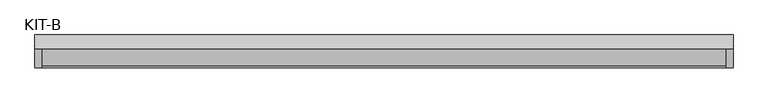
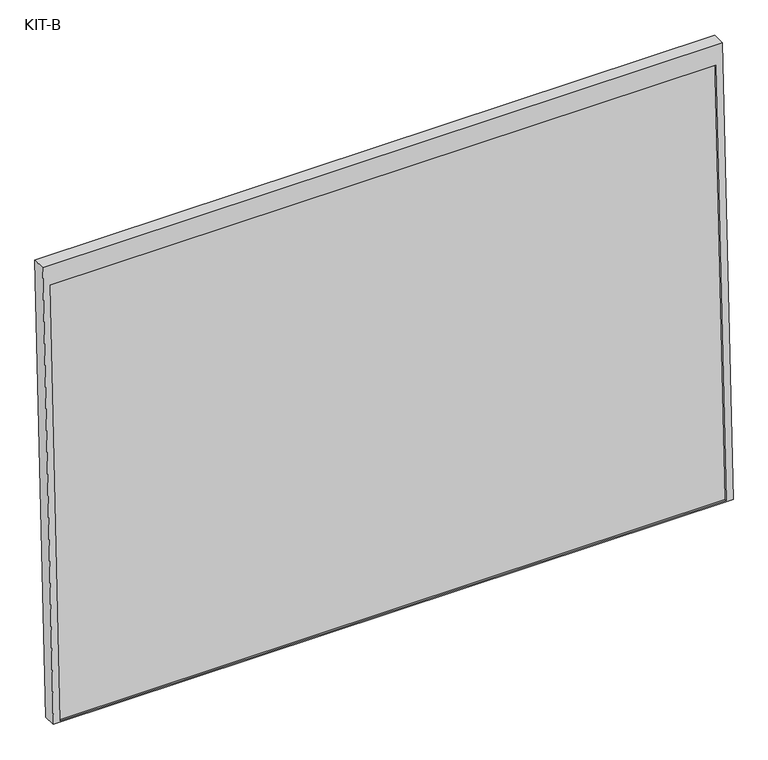
"""IFC4 building model written with IfcOpenShell, lengths in millimetres: plate geometry, KIT-B."""

from ifc_helpers import new_model, si_unit, frame, origin, place, context, project, spatial, polyline, outline, extrude, source, transform, mapped, element, save


def kit_b_5ce8b081(model_context):
    return source(origin(), model_context, "Body", "SweptSolid", [
        extrude(outline(polyline([(0.0, -1754.0), (0.0, 0.0), (27.4505712, 0.0), (27.4505712, -1754.0), (0.0, -1754.0)])), frame((-877.0, -68.924512, -49.4243487), z_axis=(0.0, 0.03973683410233642, 0.9992101801000245), x_axis=(0.0, 0.9992101801000245, -0.03973683410233642)), (0.0, 0.0, 1.0), 1186.5315929),
        extrude(outline(polyline([(0.0, 0.0), (0.0, -1791.0), (-1245.0000001, -1791.0), (-1245.0000001, 0.0), (0.0, 0.0)]), holes=[polyline([(-55.0, -18.5), (-1241.531593, -18.5), (-1241.531593, -1772.5), (-55.0, -1772.5), (-55.0, -18.5)])]), frame((-895.5, 10.3863283, 1189.9345529), z_axis=(0.0, -0.9992101801000247, 0.03973683410233422), x_axis=(0.0, 0.03973683410233422, 0.9992101801000247)), (0.0, 0.0, 1.0), 35.0),
    ])


if __name__ == "__main__":
    model = new_model("IFC4")
    model_context = context("Model", 3, world=origin())
    ifc_project = project(units=[si_unit("LENGTHUNIT", "METRE", prefix="MILLI")], contexts=[model_context])
    site = spatial("IfcSite", under=ifc_project)
    building = spatial("IfcBuilding", under=site)
    placement = place(None, origin())
    kit_b_shape = kit_b_5ce8b081(model_context)
    element("IfcPlate", 1, ObjectType="KIT-B", at=placement, inside=building, context=model_context, shape_type="MappedRepresentation", body=[
        mapped(kit_b_shape, transform((0.0, 0.0, 0.0), x_axis=(1.0, 0.0, 0.0), y_axis=(0.0, 1.0, 0.0), z_axis=(0.0, 0.0, 1.0))),
    ])
    save(model, "model.ifc")
